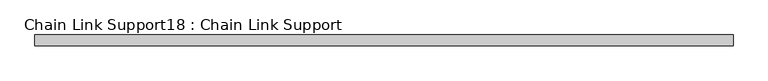
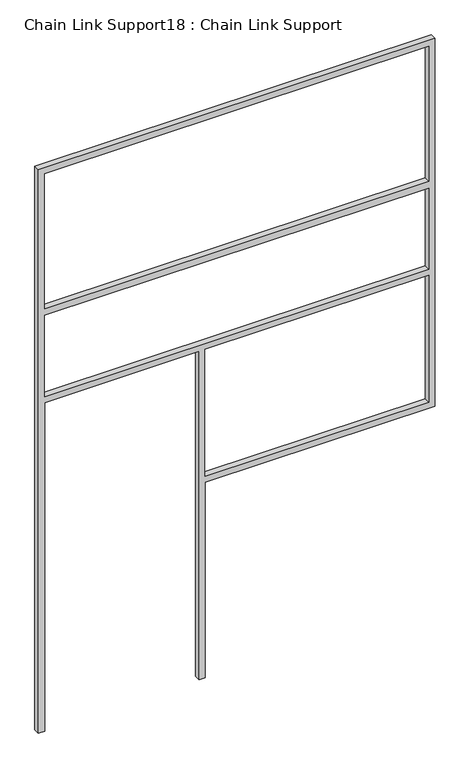
"""IFC4 building model written with IfcOpenShell, lengths in millimetres: proxy geometry, Chain Link Support18 : Chain Link Support."""

from ifc_helpers import new_model, si_unit, frame, origin, place, context, project, spatial, polyline, outline, extrude, source, transform, mapped, element, save


def chain_link_support18_chain_link_support_af702f83(model_context):
    return source(origin(), model_context, "Body", "SweptSolid", [
        extrude(outline(polyline([(3657.6, -13515.9848205), (0.0, -13515.9848205), (0.0, -13477.8848205), (2133.6, -13477.8848205), (2133.6, -12528.5598205), (0.0, -12528.5598205), (0.0, -12490.4598205), (1270.0, -12490.4598205), (1270.0, -11077.5848205), (3657.6, -11077.5848205), (3657.6, -13515.9848205)]), holes=[polyline([(2743.2, -13477.8848205), (3619.5, -13477.8848205), (3619.5, -11115.6848205), (2743.2, -11115.6848205), (2743.2, -13477.8848205)]), polyline([(1308.1, -11115.6848205), (1308.1, -12490.4598205), (2133.6, -12490.4598205), (2133.6, -11115.6848205), (1308.1, -11115.6848205)]), polyline([(2171.7, -13477.8848205), (2698.75, -13477.8848205), (2698.75, -11115.6848205), (2171.7, -11115.6848205), (2171.7, -13477.8848205)])]), frame((0.0, 15505.742683, 0.0), z_axis=(0.0, 1.0, 0.0), x_axis=(0.0, 0.0, 1.0)), (0.0, 0.0, 1.0), 38.1),
    ])


if __name__ == "__main__":
    model = new_model("IFC4")
    model_context = context("Model", 3, world=origin())
    ifc_project = project(units=[si_unit("LENGTHUNIT", "METRE", prefix="MILLI")], contexts=[model_context])
    site = spatial("IfcSite", under=ifc_project)
    building = spatial("IfcBuilding", under=site)
    placement = place(None, origin())
    chain_link_support18_chain_link_support_shape = chain_link_support18_chain_link_support_af702f83(model_context)
    element("IfcBuildingElementProxy", 1, Name="Chain Link Support18 : Chain Link Support", ObjectType="Chain Link Support18 : Chain Link Support", at=placement, inside=building, context=model_context, shape_type="MappedRepresentation", body=[
        mapped(chain_link_support18_chain_link_support_shape, transform((0.0, 0.0, 0.0), x_axis=(1.0, 0.0, 0.0), y_axis=(0.0, 1.0, 0.0), z_axis=(0.0, 0.0, 1.0))),
    ])
    save(model, "model.ifc")
